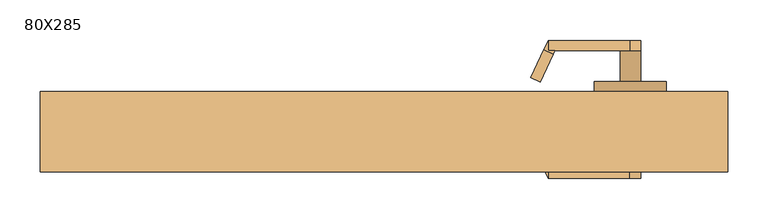
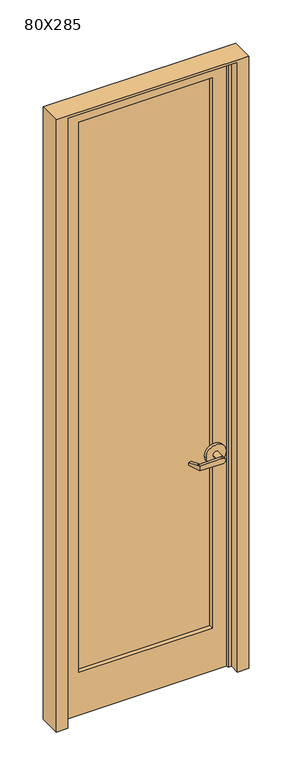
"""IFC4 building model written with IfcOpenShell, lengths in millimetres: door geometry, 80X285."""

import ifcopenshell
import ifcopenshell.guid

model = None  # the IFC model being written
_history = None  # IfcOwnerHistory: only IFC2X3 demands one
_inside = {}  # id of a spatial element -> (the spatial element, [elements in it])
_under = {}  # id of a project, library or spatial element -> (it, [spatial elements below it])
_declared = {}  # id of a project -> (the project, [libraries it declares])
_typed = {}  # id of a type object -> (the type object, [elements of that type])
_made_of = {}  # id of a material, layer set ... -> (it, [elements and type objects made of it])


def new_model(schema):
    """Start an empty IFC model of exactly this schema.

    Asked for "IFC4X3", IfcOpenShell would pick the latest addendum, in which some entities
    have other attributes; the version numbers below select the first issue.
    IFC2X3 requires an IfcOwnerHistory on every rooted entity: one is made here for all.
    """
    global model, _history
    if schema == "IFC4X3":
        model = ifcopenshell.file(schema_version=(4, 3, 0, 0))
    else:
        model = ifcopenshell.file(schema=schema)
    _inside.clear()
    _under.clear()
    _declared.clear()
    _typed.clear()
    _made_of.clear()
    _history = None
    if model.schema == "IFC2X3":
        org = make("IfcOrganization", Name="unknown")
        user = make(
            "IfcPersonAndOrganization",
            ThePerson=make("IfcPerson", FamilyName="unknown"),
            TheOrganization=org,
        )
        app = make(
            "IfcApplication",
            ApplicationDeveloper=org,
            Version="unknown",
            ApplicationFullName="unknown",
            ApplicationIdentifier="unknown",
        )
        _history = make(
            "IfcOwnerHistory",
            OwningUser=user,
            OwningApplication=app,
            ChangeAction="ADDED",
            CreationDate=0,
        )
    return model


def make(cls, **values):
    """One entity of the class cls with the attributes given. An attribute that is None is left unset."""
    return model.create_entity(
        cls, **{name: value for name, value in values.items() if value is not None}
    )


def rooted(cls, **values):
    """An entity with a GlobalId (a new one), such as an element, a storey or a relation."""
    return make(cls, GlobalId=ifcopenshell.guid.new(), OwnerHistory=_history, **values)


def si_unit(unit_type, name, prefix=None):
    """IfcSIUnit, for example si_unit("LENGTHUNIT", "METRE", prefix="MILLI")."""
    return make("IfcSIUnit", UnitType=unit_type, Prefix=prefix, Name=name)


def assignment(units):
    """IfcUnitAssignment: the units of a project."""
    return None if units is None else make("IfcUnitAssignment", Units=units)


def point(xyz):
    """IfcCartesianPoint."""
    return None if xyz is None else make("IfcCartesianPoint", Coordinates=xyz)


def direction(xyz):
    """IfcDirection."""
    return None if xyz is None else make("IfcDirection", DirectionRatios=xyz)


def frame(location, z_axis=None, x_axis=None):
    """IfcAxis2Placement3D, a coordinate frame: its origin and axes. An axis left out is left unset."""
    return make(
        "IfcAxis2Placement3D",
        Location=point(location),
        Axis=direction(z_axis),
        RefDirection=direction(x_axis),
    )


def origin():
    """The frame at (0, 0, 0) with its axes left unset."""
    return frame((0.0, 0.0, 0.0))


def place(relative_to, where):
    """IfcLocalPlacement: puts the frame where relative to a parent placement (None: the world)."""
    return make(
        "IfcLocalPlacement", PlacementRelTo=relative_to, RelativePlacement=where
    )


def context(
    kind, dimensions, precision=None, world=None, true_north=None, identifier=None
):
    """IfcGeometricRepresentationContext, for example the 3D "Model" context."""
    return make(
        "IfcGeometricRepresentationContext",
        ContextIdentifier=identifier,
        ContextType=kind,
        CoordinateSpaceDimension=dimensions,
        Precision=precision,
        WorldCoordinateSystem=world,
        TrueNorth=true_north,
    )


def project(units=None, contexts=None):
    """IfcProject with its units and contexts."""
    return rooted(
        "IfcProject",
        Name="project",
        RepresentationContexts=contexts,
        UnitsInContext=assignment(units),
    )


def spatial(cls, under=None, at=None, **own):
    """A site, building, storey or space (cls), placed at a placement, below another one or the project."""
    s = rooted(cls, ObjectPlacement=at, **own)
    if under is not None:
        _under.setdefault(under.id(), (under, []))[1].append(s)
    return s


def polyline(points):
    """IfcPolyline through the points."""
    return make("IfcPolyline", Points=[point(p) for p in points])


def circle_curve(where, radius):
    """IfcCircle in the frame where."""
    return make("IfcCircle", Position=where, Radius=radius)


def outline(outer, holes=None, kind="AREA"):
    """IfcArbitraryClosedProfileDef: a profile drawn as a closed curve; with holes, ...WithVoids."""
    if holes is None:
        return make("IfcArbitraryClosedProfileDef", ProfileType=kind, OuterCurve=outer)
    return make(
        "IfcArbitraryProfileDefWithVoids",
        ProfileType=kind,
        OuterCurve=outer,
        InnerCurves=holes,
    )


def extrude(swept, where, along, depth):
    """IfcExtrudedAreaSolid: the profile swept, set in the frame where, extruded along a direction by depth."""
    return make(
        "IfcExtrudedAreaSolid",
        SweptArea=swept,
        Position=where,
        ExtrudedDirection=direction(along),
        Depth=depth,
    )


def faces_of(points, faces, orient=None, outer=None):
    """IfcFace entities. A face is a list of loops; a loop is a list of indices into points, from 0.

    orient and outer hold one flag for each loop. By default every Orientation is true, the
    first loop of a face is its IfcFaceOuterBound and the others are IfcFaceBound.
    """
    made = []
    for i, loops in enumerate(faces):
        bounds = []
        for j, loop in enumerate(loops):
            is_outer = j == 0 if outer is None else outer[i][j]
            bounds.append(
                make(
                    "IfcFaceOuterBound" if is_outer else "IfcFaceBound",
                    Bound=make("IfcPolyLoop", Polygon=[points[k] for k in loop]),
                    Orientation=True if orient is None else orient[i][j],
                )
            )
        made.append(make("IfcFace", Bounds=bounds))
    return made


def faceted_brep(points, faces, orient=None, outer=None, voids=None):
    """IfcFacetedBrep: a solid bounded by flat faces; with voids (closed shells), ...WithVoids."""
    shared = [point(p) for p in points]
    hull = make("IfcClosedShell", CfsFaces=faces_of(shared, faces, orient, outer))
    if voids is None:
        return make("IfcFacetedBrep", Outer=hull)
    return make(
        "IfcFacetedBrepWithVoids",
        Outer=hull,
        Voids=[
            make(cls, CfsFaces=faces_of(shared, fs, o, b)) for cls, fs, o, b in voids
        ],
    )


def shape(context_of_items, identifier, shape_type, items):
    """IfcShapeRepresentation: the items that make up one representation, for example the "Body"."""
    return make(
        "IfcShapeRepresentation",
        ContextOfItems=context_of_items,
        RepresentationIdentifier=identifier,
        RepresentationType=shape_type,
        Items=items,
    )


def source(mapping_origin, context_of_items, identifier, shape_type, items):
    """IfcRepresentationMap: a shape defined once, which mapped items show again and again."""
    return make(
        "IfcRepresentationMap",
        MappingOrigin=mapping_origin,
        MappedRepresentation=shape(context_of_items, identifier, shape_type, items),
    )


def transform(
    local_origin,
    x_axis=None,
    y_axis=None,
    z_axis=None,
    scale=None,
    scale2=None,
    scale3=None,
    uniform=True,
):
    """IfcCartesianTransformationOperator3D, or its non-uniform kind. x_axis, y_axis, z_axis: its Axis1, 2, 3."""
    if uniform:
        return make(
            "IfcCartesianTransformationOperator3D",
            Axis1=direction(x_axis),
            Axis2=direction(y_axis),
            LocalOrigin=point(local_origin),
            Scale=scale,
            Axis3=direction(z_axis),
        )
    return make(
        "IfcCartesianTransformationOperator3DnonUniform",
        Axis1=direction(x_axis),
        Axis2=direction(y_axis),
        LocalOrigin=point(local_origin),
        Scale=scale,
        Axis3=direction(z_axis),
        Scale2=scale2,
        Scale3=scale3,
    )


def mapped(mapping_source, mapping_target):
    """IfcMappedItem: shows the shape of a source again, moved by a transform."""
    return make(
        "IfcMappedItem", MappingSource=mapping_source, MappingTarget=mapping_target
    )


def made_of(thing, what):
    """Note that an element or type object is made of a material, layer set ...; save() writes the relation."""
    if what is not None:
        _made_of.setdefault(what.id(), (what, []))[1].append(thing)
    return thing


def element(
    cls,
    number,
    at=None,
    inside=None,
    cuts=None,
    type_object=None,
    material=None,
    context=None,
    identifier="Body",
    shape_type=None,
    held_by="IfcProductDefinitionShape",
    body=None,
    shapes=None,
    **own,
):
    """One element of the class cls, such as IfcWall. Its Tag is "e" and its number.

    at: its placement. inside: the storey or other place that contains it. cuts: it is an
    opening in that element (IfcRelVoidsElement). A single representation is given by context,
    identifier, shape_type and body (its items); several are given by shapes. held_by: the class
    of the entity that holds the representations. save() writes the other relations.
    """
    e = rooted(cls, Tag="e%d" % number, ObjectPlacement=at, **own)
    if body is not None:
        shapes = [shape(context, identifier, shape_type, body)]
    if shapes is not None:
        e.Representation = make(held_by, Representations=shapes)
    if inside is not None:
        _inside.setdefault(inside.id(), (inside, []))[1].append(e)
    if cuts is not None:
        rooted(
            "IfcRelVoidsElement", RelatingBuildingElement=cuts, RelatedOpeningElement=e
        )
    if type_object is not None:
        _typed.setdefault(type_object.id(), (type_object, []))[1].append(e)
    return made_of(e, material)


def aggregate(whole, parts):
    """IfcRelAggregates: a whole, such as a stair, and the parts it consists of."""
    return rooted("IfcRelAggregates", RelatingObject=whole, RelatedObjects=parts)


def save(model, path):
    """Write the relations noted so far, then the file.

    IfcRelAggregates (storeys below a building ...), IfcRelContainedInSpatialStructure (elements
    in a storey), IfcRelDefinesByType, IfcRelAssociatesMaterial and IfcRelDeclares: one each for
    every whole, place, type object, material and project.
    """
    for whole, parts in _under.values():
        aggregate(whole, parts)
    for where, things in _inside.values():
        rooted(
            "IfcRelContainedInSpatialStructure",
            RelatedElements=things,
            RelatingStructure=where,
        )
    for kind, things in _typed.values():
        rooted("IfcRelDefinesByType", RelatedObjects=things, RelatingType=kind)
    for what, things in _made_of.values():
        rooted("IfcRelAssociatesMaterial", RelatedObjects=things, RelatingMaterial=what)
    for by, libraries in _declared.values():
        rooted("IfcRelDeclares", RelatingContext=by, RelatedDefinitions=libraries)
    model.write(path)


def plane_surface(at):
    """IfcPlane: the flat surface through the origin of the frame at, square to its z axis."""
    return make("IfcPlane", Position=at)


def cylinder_surface(at, radius):
    """IfcCylindricalSurface: all points at the distance radius from the z axis of the frame at."""
    return make("IfcCylindricalSurface", Position=at, Radius=radius)


def advanced_brep(points, edges, surfaces, faces):
    """IfcAdvancedBrep: a solid bounded by faces that lie on surfaces and meet in shared edges.

    An edge is (start, end): straight between two places in points (the first is 0);
    or (start, end, curve); or (start, end, curve, False) where it runs against its curve.
    A face is (place in surfaces, loops), or (place, loops, False) where it looks against
    its surface's normal. A loop lists edges by number (the first is 1), with a minus sign
    where the edge is run from its end to its start. The first loop is the outer one.
    """
    corners = [point(p) for p in points]
    vertices = [make("IfcVertexPoint", VertexGeometry=c) for c in corners]
    made = []
    for start, end, *more in edges:
        made.append(
            make(
                "IfcEdgeCurve",
                EdgeStart=vertices[start],
                EdgeEnd=vertices[end],
                EdgeGeometry=more[0] if more else make("IfcPolyline", Points=[corners[start], corners[end]]),
                SameSense=more[1] if len(more) > 1 else True,
            )
        )
    hull = []
    for where, loops, *sense in faces:
        bounds = []
        for j, loop in enumerate(loops):
            ring = [make("IfcOrientedEdge", EdgeElement=made[abs(k) - 1], Orientation=k > 0) for k in loop]
            bounds.append(
                make(
                    "IfcFaceOuterBound" if j == 0 else "IfcFaceBound",
                    Bound=make("IfcEdgeLoop", EdgeList=ring),
                    Orientation=True,
                )
            )
        hull.append(make("IfcAdvancedFace", Bounds=bounds, FaceSurface=surfaces[where], SameSense=sense[0] if sense else True))
    return make("IfcAdvancedBrep", Outer=make("IfcClosedShell", CfsFaces=hull))


def door_80x285_0ef3934d(model_context):
    return source(origin(), model_context, "Body", "SolidModel", [
        advanced_brep(
        [(209.692857, -41.0726392, 1006.475), (193.5911012, -6.5423125, 1009.65), (193.5911012, -6.5423125, 1022.35), (209.692857, -41.0726392, 1025.525), (211.6407923, -45.25, 1025.525), (211.6407923, -45.25, 1006.475), (203.55, -57.95, 1025.525), (198.1827481, -46.4398911, 1025.525), (182.0809923, -11.9095644, 1022.35), (182.0809923, -11.9095644, 1009.65), (198.1827481, -46.4398911, 1006.475), (203.55, -57.95, 1006.475), (203.55, -45.25, 1006.475), (203.55, -45.25, 1025.525), (304.7525418, -57.95, 1003.3062209), (304.7525418, -57.95, 1028.6937791), (304.7525418, -45.25, 1028.6937791), (292.45, -45.25, 1016.0), (304.7525418, -45.25, 1003.3062209), (317.85, -45.25, 1016.0), (317.85, -7.15, 1016.0), (292.45, -7.15, 1016.0), (349.6, -7.15, 1016.0), (260.7, -7.15, 1016.0), (349.6, 5.55, 1016.0), (260.7, 5.55, 1016.0)],
        [
            (0, 1),
            (1, 2),
            (2, 3),
            (3, 4),
            (4, 5),
            (5, 0),
            (6, 7),
            (7, 8),
            (8, 9),
            (9, 10),
            (10, 11),
            (11, 6),
            (10, 0),
            (5, 12),
            (12, 11),
            (9, 1),
            (8, 2),
            (7, 3),
            (6, 13),
            (13, 4),
            (11, 14),
            (14, 15, circle_curve(frame((305.15, -57.95, 1016.0), z_axis=(0.0, -1.0, 0.0), x_axis=(-1.0, 0.0, 0.0)), 12.7)),
            (15, 6),
            (13, 16),
            (16, 17, circle_curve(frame((305.15, -45.25, 1016.0), z_axis=(0.0, -1.0, 0.0), x_axis=(-1.0, 0.0, 0.0)), 12.7)),
            (17, 18, circle_curve(frame((305.15, -45.25, 1016.0), z_axis=(0.0, -1.0, 0.0), x_axis=(-1.0, 0.0, 0.0)), 12.7)),
            (18, 12),
            (18, 14),
            (18, 19, circle_curve(frame((305.15, -45.25, 1016.0), z_axis=(0.0, -1.0, 0.0), x_axis=(-1.0, 0.0, 0.0)), 12.7)),
            (19, 16, circle_curve(frame((305.15, -45.25, 1016.0), z_axis=(0.0, -1.0, 0.0), x_axis=(-1.0, 0.0, 0.0)), 12.7)),
            (16, 15),
            (19, 20),
            (20, 21, circle_curve(frame((305.15, -7.15, 1016.0), z_axis=(0.0, -1.0, 0.0), x_axis=(-1.0, 0.0, 0.0)), 12.7)),
            (21, 17),
            (21, 20, circle_curve(frame((305.15, -7.15, 1016.0), z_axis=(0.0, -1.0, 0.0), x_axis=(-1.0, 0.0, 0.0)), 12.7)),
            (22, 23, circle_curve(frame((305.15, -7.15, 1016.0), z_axis=(0.0, -1.0, 0.0), x_axis=(-1.0, 0.0, 0.0)), 44.45)),
            (23, 22, circle_curve(frame((305.15, -7.15, 1016.0), z_axis=(0.0, -1.0, 0.0), x_axis=(-1.0, 0.0, 0.0)), 44.45)),
            (24, 25, circle_curve(frame((305.15, 5.55, 1016.0), z_axis=(0.0, 1.0, 0.0), x_axis=(-1.0, 0.0, 0.0)), 44.45)),
            (25, 24, circle_curve(frame((305.15, 5.55, 1016.0), z_axis=(0.0, 1.0, 0.0), x_axis=(-1.0, 0.0, 0.0)), 44.45)),
            (22, 24),
            (25, 23),
        ],
        [
            plane_surface(frame((215.0601089, -52.5827481, 1006.475), z_axis=(0.9063077870366494, 0.4226182617407007, 0.0), x_axis=(0.0, 0.0, -1.0))),
            plane_surface(frame((203.55, -57.95, 1006.475), z_axis=(-0.9063077870366494, -0.4226182617407007, 0.0), x_axis=(0.0, 0.0, 1.0))),
            plane_surface(frame((215.0601089, -52.5827481, 1006.475), z_axis=(0.0, 0.0, -1.0000000000000002), x_axis=(-0.9063077870366494, -0.42261826174070094, 0.0))),
            plane_surface(frame((209.692857, -41.0726392, 1006.475), z_axis=(-0.035096536341209586, 0.07526476506963879, -0.9965457582448799), x_axis=(-0.9063077870366494, -0.42261826174070094, 0.0))),
            plane_surface(frame((193.5911012, -6.5423125, 1009.65), z_axis=(-0.42261826174070094, 0.9063077870366494, 0.0), x_axis=(-0.9063077870366494, -0.42261826174070094, 0.0))),
            plane_surface(frame((193.5911012, -6.5423125, 1022.35), z_axis=(-0.03509653634121044, 0.07526476506964089, 0.9965457582448796), x_axis=(-0.9063077870366495, -0.42261826174070033, 0.0))),
            plane_surface(frame((209.692857, -41.0726392, 1025.525), z_axis=(0.0, 0.0, 1.0000000000000002), x_axis=(-0.9063077870366494, -0.42261826174070094, 0.0))),
            plane_surface(frame((203.55, -57.95, 1006.475), z_axis=(0.0, -1.0, 0.0), x_axis=(0.9995101626549141, 0.0, -0.03129592225110647))),
            plane_surface(frame((203.55, -45.25, 1006.475), z_axis=(0.0, 1.0, 0.0), x_axis=(-0.9995101626549141, 0.0, 0.03129592225110647))),
            plane_surface(frame((203.55, -57.95, 1006.475), z_axis=(-0.03129592225110647, 0.0, -0.9995101626549141), x_axis=(0.0, 1.0, 0.0))),
            cylinder_surface(frame((305.15, -45.25, 1016.0), z_axis=(0.0, -1.0, 0.0), x_axis=(-1.0, 0.0, 0.0)), 12.7),
            plane_surface(frame((304.7525418, -57.95, 1028.6937791), z_axis=(-0.03129592225110282, 0.0, 0.9995101626549142), x_axis=(0.0, 1.0, 0.0))),
            cylinder_surface(frame((305.15, -7.15, 1016.0), z_axis=(0.0, -1.0, 0.0), x_axis=(-1.0, 0.0, 0.0)), 12.7),
            plane_surface(frame((260.7, -7.15, 1016.0), z_axis=(0.0, -1.0, 0.0), x_axis=(0.0, 0.0, -1.0))),
            plane_surface(frame((260.7, 5.55, 1016.0), z_axis=(0.0, 1.0, 0.0), x_axis=(0.0, 0.0, 1.0))),
            cylinder_surface(frame((305.15, 5.55, 1016.0), z_axis=(0.0, -1.0, 0.0), x_axis=(-1.0, 0.0, 0.0)), 44.45),
        ],
        [
            (0, [[1, 2, 3, 4, 5, 6]]),
            (1, [[7, 8, 9, 10, 11, 12]]),
            (2, [[-11, 13, -6, 14, 15]]),
            (3, [[-1, -13, -10, 16]]),
            (4, [[-2, -16, -9, 17]]),
            (5, [[-3, -17, -8, 18]]),
            (6, [[-7, 19, 20, -4, -18]]),
            (7, [[21, 22, 23, -12]]),
            (8, [[24, 25, 26, 27, -14, -5, -20]]),
            (9, [[-21, -15, -27, 28]]),
            (10, [[-22, -28, 29, 30, 31]]),
            (11, [[-23, -31, -24, -19]]),
            (12, [[32, 33, 34, -25, -30]]),
            (12, [[-32, -29, -26, -34, 35]]),
            (13, [[36, 37], [-33, -35]]),
            (14, [[38, 39]]),
            (15, [[-36, 40, -39, 41]]),
            (15, [[-37, -41, -38, -40]]),
        ],
    ),
        advanced_brep(
        [(209.692857, 96.6226392, 1025.525), (193.5911012, 62.0923125, 1022.35), (193.5911012, 62.0923125, 1009.65), (209.692857, 96.6226392, 1006.475), (211.6407923, 100.8, 1006.475), (211.6407923, 100.8, 1025.525), (203.55, 113.5, 1006.475), (198.1827481, 101.9898911, 1006.475), (182.0809923, 67.4595644, 1009.65), (182.0809923, 67.4595644, 1022.35), (198.1827481, 101.9898911, 1025.525), (203.55, 113.5, 1025.525), (203.55, 100.8, 1025.525), (203.55, 100.8, 1006.475), (304.7525418, 113.5, 1028.6937791), (304.7525418, 113.5, 1003.3062209), (304.7525418, 100.8, 1003.3062209), (292.45, 100.8, 1016.0), (304.7525418, 100.8, 1028.6937791), (317.85, 100.8, 1016.0), (317.85, 62.7, 1016.0), (292.45, 62.7, 1016.0), (349.6, 62.7, 1016.0), (260.7, 62.7, 1016.0), (349.6, 50.0, 1016.0), (260.7, 50.0, 1016.0)],
        [
            (0, 1),
            (1, 2),
            (2, 3),
            (3, 4),
            (4, 5),
            (5, 0),
            (6, 7),
            (7, 8),
            (8, 9),
            (9, 10),
            (10, 11),
            (11, 6),
            (10, 0),
            (5, 12),
            (12, 11),
            (9, 1),
            (8, 2),
            (7, 3),
            (6, 13),
            (13, 4),
            (11, 14),
            (14, 15, circle_curve(frame((305.15, 113.5, 1016.0), z_axis=(0.0, 1.0, 0.0), x_axis=(-1.0, 0.0, 0.0)), 12.7)),
            (15, 6),
            (13, 16),
            (16, 17, circle_curve(frame((305.15, 100.8, 1016.0), z_axis=(0.0, 1.0, 0.0), x_axis=(-1.0, 0.0, 0.0)), 12.7)),
            (17, 18, circle_curve(frame((305.15, 100.8, 1016.0), z_axis=(0.0, 1.0, 0.0), x_axis=(-1.0, 0.0, 0.0)), 12.7)),
            (18, 12),
            (18, 14),
            (18, 19, circle_curve(frame((305.15, 100.8, 1016.0), z_axis=(0.0, 1.0, 0.0), x_axis=(-1.0, 0.0, 0.0)), 12.7)),
            (19, 16, circle_curve(frame((305.15, 100.8, 1016.0), z_axis=(0.0, 1.0, 0.0), x_axis=(-1.0, 0.0, 0.0)), 12.7)),
            (16, 15),
            (19, 20),
            (20, 21, circle_curve(frame((305.15, 62.7, 1016.0), z_axis=(0.0, 1.0, 0.0), x_axis=(-1.0, 0.0, 0.0)), 12.7)),
            (21, 17),
            (21, 20, circle_curve(frame((305.15, 62.7, 1016.0), z_axis=(0.0, 1.0, 0.0), x_axis=(-1.0, 0.0, 0.0)), 12.7)),
            (22, 23, circle_curve(frame((305.15, 62.7, 1016.0), z_axis=(0.0, 1.0, 0.0), x_axis=(-1.0, 0.0, 0.0)), 44.45)),
            (23, 22, circle_curve(frame((305.15, 62.7, 1016.0), z_axis=(0.0, 1.0, 0.0), x_axis=(-1.0, 0.0, 0.0)), 44.45)),
            (24, 25, circle_curve(frame((305.15, 50.0, 1016.0), z_axis=(0.0, -1.0, 0.0), x_axis=(-1.0, 0.0, 0.0)), 44.45)),
            (25, 24, circle_curve(frame((305.15, 50.0, 1016.0), z_axis=(0.0, -1.0, 0.0), x_axis=(-1.0, 0.0, 0.0)), 44.45)),
            (22, 24),
            (25, 23),
        ],
        [
            plane_surface(frame((215.0601089, 108.1327481, 1025.525), z_axis=(0.9063077870366494, -0.4226182617407007, 0.0), x_axis=(0.0, 0.0, 1.0))),
            plane_surface(frame((203.55, 113.5, 1025.525), z_axis=(-0.9063077870366494, 0.4226182617407007, 0.0), x_axis=(0.0, 0.0, -1.0))),
            plane_surface(frame((215.0601089, 108.1327481, 1025.525), z_axis=(0.0, 0.0, 1.0000000000000002), x_axis=(-0.9063077870366494, 0.42261826174070094, 0.0))),
            plane_surface(frame((209.692857, 96.6226392, 1025.525), z_axis=(-0.03509653634120952, -0.07526476506963879, 0.9965457582448799), x_axis=(-0.9063077870366494, 0.42261826174070094, 0.0))),
            plane_surface(frame((193.5911012, 62.0923125, 1022.35), z_axis=(-0.42261826174070094, -0.9063077870366494, 0.0), x_axis=(-0.9063077870366494, 0.42261826174070094, 0.0))),
            plane_surface(frame((193.5911012, 62.0923125, 1009.65), z_axis=(-0.03509653634121051, -0.07526476506964089, -0.9965457582448796), x_axis=(-0.9063077870366495, 0.42261826174070033, 0.0))),
            plane_surface(frame((209.692857, 96.6226392, 1006.475), z_axis=(0.0, 0.0, -1.0000000000000002), x_axis=(-0.9063077870366494, 0.42261826174070094, 0.0))),
            plane_surface(frame((203.55, 113.5, 1025.525), z_axis=(0.0, 1.0, 0.0), x_axis=(0.9995101626549141, 0.0, 0.0312959222511064))),
            plane_surface(frame((203.55, 100.8, 1025.525), z_axis=(0.0, -1.0, 0.0), x_axis=(-0.9995101626549141, 0.0, -0.0312959222511064))),
            plane_surface(frame((203.55, 113.5, 1025.525), z_axis=(-0.0312959222511064, 0.0, 0.9995101626549141), x_axis=(0.0, -1.0, 0.0))),
            cylinder_surface(frame((305.15, 100.8, 1016.0), z_axis=(0.0, 1.0, 0.0), x_axis=(-1.0, 0.0, 0.0)), 12.7),
            plane_surface(frame((304.7525418, 113.5, 1003.3062209), z_axis=(-0.03129592225110289, 0.0, -0.9995101626549142), x_axis=(0.0, -1.0, 0.0))),
            cylinder_surface(frame((305.15, 62.7, 1016.0), z_axis=(0.0, 1.0, 0.0), x_axis=(-1.0, 0.0, 0.0)), 12.7),
            plane_surface(frame((260.7, 62.7, 1016.0), z_axis=(0.0, 1.0, 0.0), x_axis=(0.0, 0.0, 1.0))),
            plane_surface(frame((260.7, 50.0, 1016.0), z_axis=(0.0, -1.0, 0.0), x_axis=(0.0, 0.0, -1.0))),
            cylinder_surface(frame((305.15, 50.0, 1016.0), z_axis=(0.0, 1.0, 0.0), x_axis=(-1.0, 0.0, 0.0)), 44.45),
        ],
        [
            (0, [[1, 2, 3, 4, 5, 6]]),
            (1, [[7, 8, 9, 10, 11, 12]]),
            (2, [[-11, 13, -6, 14, 15]]),
            (3, [[-1, -13, -10, 16]]),
            (4, [[-2, -16, -9, 17]]),
            (5, [[-3, -17, -8, 18]]),
            (6, [[-7, 19, 20, -4, -18]]),
            (7, [[21, 22, 23, -12]]),
            (8, [[24, 25, 26, 27, -14, -5, -20]]),
            (9, [[-21, -15, -27, 28]]),
            (10, [[-22, -28, 29, 30, 31]]),
            (11, [[-23, -31, -24, -19]]),
            (12, [[32, 33, 34, -25, -30]]),
            (12, [[-32, -29, -26, -34, 35]]),
            (13, [[36, 37], [-33, -35]]),
            (14, [[38, 39]]),
            (15, [[-36, 40, -39, 41]]),
            (15, [[-37, -41, -38, -40]]),
        ],
    ),
        extrude(outline(polyline([(-295.0, 30.95), (295.0, 30.95), (295.0, 24.6), (-295.0, 24.6), (-295.0, 30.95)])), frame((0.0, 0.0, 200.0), z_axis=(0.0, 0.0, 1.0), x_axis=(1.0, 0.0, 0.0)), (0.0, 0.0, 1.0), 2570.0),
        extrude(outline(polyline([(2850.0, -375.0), (0.0, -375.0), (0.0, 375.0), (2850.0, 375.0), (2850.0, -375.0)]), holes=[polyline([(2770.0, -295.0), (2770.0, 295.0), (200.0, 295.0), (200.0, -295.0), (2770.0, -295.0)])]), frame((0.0, 5.55, 0.0), z_axis=(0.0, 1.0, 0.0), x_axis=(0.0, 0.0, 1.0)), (0.0, 0.0, 1.0), 44.45),
        faceted_brep([(-375.0, 50.0, 0.0), (-375.0, 5.55, 0.0), (-359.125, 5.55, 0.0), (-359.125, -5.55, 0.0), (-375.0, -5.55, 0.0), (-375.0, -50.0, 0.0), (-425.8, -50.0, 0.0), (-425.8, 50.0, 0.0), (-375.0, 50.0, 2850.0), (-375.0, 5.55, 2850.0), (375.0, 5.55, 2850.0), (375.0, 5.55, 0.0), (359.125, 5.55, 0.0), (359.125, 5.55, 2834.125), (-359.125, 5.55, 2834.125), (-359.125, -5.55, 2834.125), (359.125, -5.55, 2834.125), (359.125, -5.55, 0.0), (375.0, -5.55, 0.0), (375.0, -5.55, 2850.0), (-375.0, -5.55, 2850.0), (-375.0, -50.0, 2850.0), (375.0, -50.0, 2850.0), (375.0, -50.0, 0.0), (425.8, -50.0, 0.0), (425.8, -50.0, 2860.0), (-425.8, -50.0, 2860.0), (-425.8, 50.0, 2860.0), (425.8, 50.0, 2860.0), (425.8, 50.0, 0.0), (375.0, 50.0, 0.0), (375.0, 50.0, 2850.0)], [[[0, 1, 2, 3, 4, 5, 6, 7]], [[1, 0, 8, 9]], [[2, 1, 9, 10, 11, 12, 13, 14]], [[3, 2, 14, 15]], [[4, 3, 15, 16, 17, 18, 19, 20]], [[5, 4, 20, 21]], [[6, 5, 21, 22, 23, 24, 25, 26]], [[7, 6, 26, 27]], [[0, 7, 27, 28, 29, 30, 31, 8]], [[30, 11, 10, 31]], [[30, 29, 24, 23, 18, 17, 12, 11]], [[12, 17, 16, 13]], [[19, 18, 23, 22]], [[29, 28, 25, 24]], [[10, 9, 8, 31]], [[15, 14, 13, 16]], [[21, 20, 19, 22]], [[25, 28, 27, 26]]]),
    ])


if __name__ == "__main__":
    model = new_model("IFC4")
    model_context = context("Model", 3, world=origin())
    ifc_project = project(units=[si_unit("LENGTHUNIT", "METRE", prefix="MILLI")], contexts=[model_context])
    site = spatial("IfcSite", under=ifc_project)
    building = spatial("IfcBuilding", under=site)
    placement = place(None, origin())
    door_80x285_shape = door_80x285_0ef3934d(model_context)
    element("IfcDoor", 1, ObjectType="80X285", at=placement, inside=building, context=model_context, shape_type="MappedRepresentation", body=[
        mapped(door_80x285_shape, transform((0.0, 0.0, 0.0), x_axis=(1.0, 0.0, 0.0), y_axis=(0.0, 1.0, 0.0), z_axis=(0.0, 0.0, 1.0))),
    ])
    save(model, "model.ifc")
